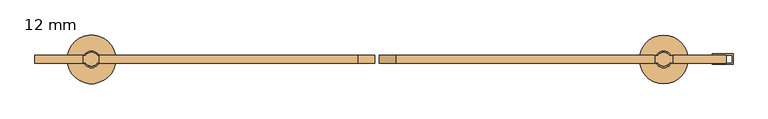
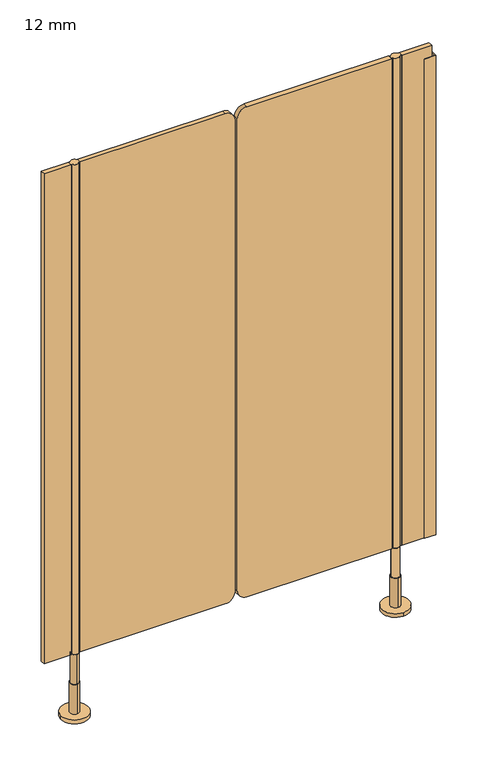
"""IFC4 building model written with IfcOpenShell, lengths in millimetres: door geometry, 12 mm."""

from ifc_helpers import new_model, si_unit, point, frame, frame_2d, origin, place, context, project, spatial, polyline, circle_curve, trimmed, segment, composite_curve, outline, extrude, source, transform, mapped, element, save
from ifc_brep_helpers import plane_surface, cylinder_surface, advanced_brep


def door_12_mm_7904f76f(model_context):
    return source(origin(), model_context, "Body", "SolidModel", [
        advanced_brep(
        [(419.5, -1296.0, 170.0), (399.5, -1296.0, 170.0), (399.5, -1296.0, 90.0), (419.5, -1296.0, 90.0), (409.5, -1284.0, 90.0), (409.5, -1308.0, 90.0), (409.5, -1284.0, 10.0), (409.5, -1308.0, 10.0), (409.5, -1261.0, 10.0), (409.5, -1331.0, 10.0), (409.5, -1261.0, 0.0), (409.5, -1331.0, 0.0)],
        [
            (0, 1, circle_curve(frame((409.5, -1296.0, 170.0), z_axis=(0.0, 0.0, 1.0), x_axis=(-1.0, 0.0, 0.0)), 10.0)),
            (1, 0, circle_curve(frame((409.5, -1296.0, 170.0), z_axis=(0.0, 0.0, 1.0), x_axis=(-1.0, 0.0, 0.0)), 10.0)),
            (1, 2),
            (2, 3, circle_curve(frame((409.5, -1296.0, 90.0), z_axis=(0.0, 0.0, 1.0), x_axis=(-1.0, 0.0, 0.0)), 10.0)),
            (3, 0),
            (3, 2, circle_curve(frame((409.5, -1296.0, 90.0), z_axis=(0.0, 0.0, 1.0), x_axis=(-1.0, 0.0, 0.0)), 10.0)),
            (4, 5, circle_curve(frame((409.5, -1296.0, 90.0), z_axis=(0.0, 0.0, 1.0), x_axis=(0.0, -1.0, 0.0)), 12.0)),
            (5, 4, circle_curve(frame((409.5, -1296.0, 90.0), z_axis=(0.0, 0.0, 1.0), x_axis=(0.0, -1.0, 0.0)), 12.0)),
            (4, 6),
            (6, 7, circle_curve(frame((409.5, -1296.0, 10.0), z_axis=(0.0, 0.0, 1.0), x_axis=(0.0, -1.0, 0.0)), 12.0)),
            (7, 5),
            (7, 6, circle_curve(frame((409.5, -1296.0, 10.0), z_axis=(0.0, 0.0, 1.0), x_axis=(0.0, -1.0, 0.0)), 12.0)),
            (8, 9, circle_curve(frame((409.5, -1296.0, 10.0), z_axis=(0.0, 0.0, 1.0), x_axis=(0.0, -1.0, 0.0)), 35.0)),
            (9, 8, circle_curve(frame((409.5, -1296.0, 10.0), z_axis=(0.0, 0.0, 1.0), x_axis=(0.0, -1.0, 0.0)), 35.0)),
            (10, 11, circle_curve(frame((409.5, -1296.0, 0.0), z_axis=(0.0, 0.0, -1.0), x_axis=(0.0, -1.0, 0.0)), 35.0)),
            (11, 10, circle_curve(frame((409.5, -1296.0, 0.0), z_axis=(0.0, 0.0, -1.0), x_axis=(0.0, -1.0, 0.0)), 35.0)),
            (8, 10),
            (11, 9),
        ],
        [
            plane_surface(frame((409.5, -1290.0, 170.0), z_axis=(0.0, 0.0, 1.0), x_axis=(0.0, -1.0, 0.0))),
            cylinder_surface(frame((409.5, -1296.0, 90.0), z_axis=(0.0, 0.0, -1.0), x_axis=(-1.0, 0.0, 0.0)), 10.0),
            plane_surface(frame((409.5, -1290.0, 90.0), z_axis=(0.0, 0.0, 1.0), x_axis=(0.0, -1.0, 0.0))),
            cylinder_surface(frame((409.5, -1296.0, 90.0), z_axis=(0.0, 0.0, 1.0), x_axis=(0.0, -1.0, 0.0)), 12.0),
            plane_surface(frame((409.5, -1290.0, 10.0), z_axis=(0.0, 0.0, 1.0), x_axis=(0.0, -1.0, 0.0))),
            plane_surface(frame((409.5, -1290.0, 0.0), z_axis=(0.0, 0.0, -1.0), x_axis=(0.0, -1.0, 0.0))),
            cylinder_surface(frame((409.5, -1296.0, 10.0), z_axis=(0.0, 0.0, 1.0), x_axis=(0.0, -1.0, 0.0)), 35.0),
        ],
        [
            (0, [[1, 2]]),
            (1, [[-2, 3, 4, 5]]),
            (1, [[-1, -5, 6, -3]]),
            (2, [[7, 8], [-4, -6]]),
            (3, [[-7, 9, 10, 11]]),
            (3, [[-8, -11, 12, -9]]),
            (4, [[13, 14], [-10, -12]]),
            (5, [[15, 16]]),
            (6, [[-13, 17, -16, 18]]),
            (6, [[-14, -18, -15, -17]]),
        ],
    ),
        advanced_brep(
        [(-415.0, -1306.0, 170.0), (-415.0, -1286.0, 170.0), (-415.0, -1286.0, 90.0), (-415.0, -1306.0, 90.0), (-415.0, -1284.0, 90.0), (-415.0, -1308.0, 90.0), (-415.0, -1284.0, 10.0), (-415.0, -1308.0, 10.0), (-380.0, -1296.0, 0.0), (-450.0, -1296.0, 0.0), (-380.0, -1296.0, 10.0), (-450.0, -1296.0, 10.0)],
        [
            (0, 1, circle_curve(frame((-415.0, -1296.0, 170.0), z_axis=(0.0, 0.0, -1.0), x_axis=(0.0, -1.0, 0.0)), 10.0)),
            (1, 2),
            (2, 3, circle_curve(frame((-415.0, -1296.0, 90.0), z_axis=(0.0, 0.0, 1.0), x_axis=(0.0, -1.0, 0.0)), 10.0)),
            (3, 0),
            (1, 0, circle_curve(frame((-415.0, -1296.0, 170.0), z_axis=(0.0, 0.0, -1.0), x_axis=(0.0, -1.0, 0.0)), 10.0)),
            (3, 2, circle_curve(frame((-415.0, -1296.0, 90.0), z_axis=(0.0, 0.0, 1.0), x_axis=(0.0, -1.0, 0.0)), 10.0)),
            (4, 5, circle_curve(frame((-415.0, -1296.0, 90.0), z_axis=(0.0, 0.0, 1.0), x_axis=(0.0, -1.0, 0.0)), 12.0)),
            (5, 4, circle_curve(frame((-415.0, -1296.0, 90.0), z_axis=(0.0, 0.0, 1.0), x_axis=(0.0, -1.0, 0.0)), 12.0)),
            (4, 6),
            (6, 7, circle_curve(frame((-415.0, -1296.0, 10.0), z_axis=(0.0, 0.0, 1.0), x_axis=(0.0, -1.0, 0.0)), 12.0)),
            (7, 5),
            (7, 6, circle_curve(frame((-415.0, -1296.0, 10.0), z_axis=(0.0, 0.0, 1.0), x_axis=(0.0, -1.0, 0.0)), 12.0)),
            (8, 9, circle_curve(frame((-415.0, -1296.0, 0.0), z_axis=(0.0, 0.0, -1.0), x_axis=(-1.0, 0.0, 0.0)), 35.0)),
            (9, 8, circle_curve(frame((-415.0, -1296.0, 0.0), z_axis=(0.0, 0.0, -1.0), x_axis=(-1.0, 0.0, 0.0)), 35.0)),
            (10, 11, circle_curve(frame((-415.0, -1296.0, 10.0), z_axis=(0.0, 0.0, 1.0), x_axis=(-1.0, 0.0, 0.0)), 35.0)),
            (11, 10, circle_curve(frame((-415.0, -1296.0, 10.0), z_axis=(0.0, 0.0, 1.0), x_axis=(-1.0, 0.0, 0.0)), 35.0)),
            (8, 10),
            (11, 9),
        ],
        [
            cylinder_surface(frame((-415.0, -1296.0, 170.0), z_axis=(0.0, 0.0, 1.0), x_axis=(0.0, -1.0, 0.0)), 10.0),
            plane_surface(frame((-415.0, -1290.0, 90.0), z_axis=(0.0, 0.0, 1.0), x_axis=(0.0, -1.0, 0.0))),
            cylinder_surface(frame((-415.0, -1296.0, 90.0), z_axis=(0.0, 0.0, 1.0), x_axis=(0.0, -1.0, 0.0)), 12.0),
            plane_surface(frame((-415.0, -1290.0, 0.0), z_axis=(0.0, 0.0, -1.0), x_axis=(0.0, -1.0, 0.0))),
            plane_surface(frame((-415.0, -1290.0, 10.0), z_axis=(0.0, 0.0, 1.0), x_axis=(0.0, -1.0, 0.0))),
            cylinder_surface(frame((-415.0, -1296.0, 0.0), z_axis=(0.0, 0.0, -1.0), x_axis=(-1.0, 0.0, 0.0)), 35.0),
            plane_surface(frame((-415.0, -1290.0, 170.0), z_axis=(0.0, 0.0, 1.0), x_axis=(0.0, -1.0, 0.0))),
        ],
        [
            (0, [[1, 2, 3, 4]]),
            (0, [[5, -4, 6, -2]]),
            (1, [[7, 8], [-3, -6]]),
            (2, [[-7, 9, 10, 11]]),
            (2, [[-8, -11, 12, -9]]),
            (3, [[13, 14]]),
            (4, [[15, 16], [-10, -12]]),
            (5, [[-13, 17, -16, 18]]),
            (5, [[-14, -18, -15, -17]]),
            (6, [[-1, -5]]),
        ],
    ),
        extrude(outline(composite_curve([segment(polyline([(170.0, 396.5), (1500.0, 396.5), (1500.0, 24.5002203)]), True, "CONTINUOUS"), segment(trimmed(circle_curve(frame_2d((1475.0, 24.5002203)), 25.0), [point((1500.0, 24.5002203))], [point((1475.0, -0.4997797))], False, "CARTESIAN"), True, "CONTINUOUS"), segment(polyline([(1475.0, -0.4997797), (195.0, -0.4997797)]), True, "CONTINUOUS"), segment(trimmed(circle_curve(frame_2d((195.0, 24.5002203)), 25.0), [point((195.0, -0.4997797))], [point((170.0, 24.5002203))], False, "CARTESIAN"), True, "CONTINUOUS"), segment(polyline([(170.0, 24.5002203), (170.0, 396.5)]), True, "CONTINUOUS")], self_intersect=False)), frame((0.0, -1302.0, 0.0), z_axis=(0.0, 1.0, 0.0), x_axis=(0.0, 0.0, 1.0)), (0.0, 0.0, 1.0), 12.0),
        extrude(outline(composite_curve([segment(polyline([(1500.0, -403.5), (170.0, -403.5), (170.0, -31.5002203)]), True, "CONTINUOUS"), segment(trimmed(circle_curve(frame_2d((195.0, -31.5002203)), 25.0), [point((170.0, -31.5002203))], [point((195.0, -6.5002203))], False, "CARTESIAN"), True, "CONTINUOUS"), segment(polyline([(195.0, -6.5002203), (1475.0, -6.5002203)]), True, "CONTINUOUS"), segment(trimmed(circle_curve(frame_2d((1475.0, -31.5002203)), 25.0), [point((1475.0, -6.5002203))], [point((1500.0, -31.5002203))], False, "CARTESIAN"), True, "CONTINUOUS"), segment(polyline([(1500.0, -31.5002203), (1500.0, -403.5)]), True, "CONTINUOUS")], self_intersect=False)), frame((0.0, -1302.0, 0.0), z_axis=(0.0, 1.0, 0.0), x_axis=(0.0, 0.0, 1.0)), (0.0, 0.0, 1.0), 12.0),
        extrude(outline(composite_curve([segment(trimmed(circle_curve(frame_2d((-415.0, -1296.0)), 10.0), [point((-423.0, -1290.0))], [point((-407.0, -1290.0))], False, "CARTESIAN"), True, "CONTINUOUS"), segment(trimmed(circle_curve(frame_2d((-415.0, -1296.0)), 10.0), [point((-407.0, -1290.0))], [point((-406.3391323, -1291.0010631))], False, "CARTESIAN"), True, "CONTINUOUS"), segment(polyline([(-406.3391323, -1291.0010631), (-403.5, -1291.0010631), (-403.5, -1300.9989369), (-406.3391323, -1300.9989369)]), True, "CONTINUOUS"), segment(trimmed(circle_curve(frame_2d((-415.0, -1296.0)), 10.0), [point((-406.3391323, -1300.9989369))], [point((-423.6608677, -1300.9989369))], False, "CARTESIAN"), True, "CONTINUOUS"), segment(polyline([(-423.6608677, -1300.9989369), (-426.5, -1300.9989369), (-426.5, -1291.0010631), (-423.6608677, -1291.0010631)]), True, "CONTINUOUS"), segment(trimmed(circle_curve(frame_2d((-415.0, -1296.0)), 10.0), [point((-423.6608677, -1291.0010631))], [point((-423.0, -1290.0))], False, "CARTESIAN"), True, "CONTINUOUS")], self_intersect=False)), frame((0.0, 0.0, 170.0), z_axis=(0.0, 0.0, 1.0), x_axis=(1.0, 0.0, 0.0)), (0.0, 0.0, 1.0), 1330.0),
        extrude(outline(composite_curve([segment(trimmed(circle_curve(frame_2d((409.5, -1296.0)), 10.0), [point((418.1608677, -1300.9989369))], [point((400.8391323, -1300.9989369))], False, "CARTESIAN"), True, "CONTINUOUS"), segment(polyline([(400.8391323, -1300.9989369), (396.5, -1300.9989369), (396.5, -1291.0010631), (400.8391323, -1291.0010631)]), True, "CONTINUOUS"), segment(trimmed(circle_curve(frame_2d((409.5, -1296.0)), 10.0), [point((400.8391323, -1291.0010631))], [point((418.1608677, -1291.0010631))], False, "CARTESIAN"), True, "CONTINUOUS"), segment(polyline([(418.1608677, -1291.0010631), (422.5, -1291.0010631), (422.5, -1300.9989369), (418.1608677, -1300.9989369)]), True, "CONTINUOUS")], self_intersect=False)), frame((0.0, 0.0, 170.0), z_axis=(0.0, 0.0, 1.0), x_axis=(1.0, 0.0, 0.0)), (0.0, 0.0, 1.0), 1330.0),
        extrude(outline(polyline([(509.5, -1303.5), (479.5, -1303.5), (479.5, -1302.0), (508.0, -1302.0), (508.0, -1290.0), (479.5, -1290.0), (479.5, -1288.5), (509.5, -1288.5), (509.5, -1303.5)])), frame((0.0, 0.0, 170.0), z_axis=(0.0, 0.0, 1.0), x_axis=(1.0, 0.0, 0.0)), (0.0, 0.0, 1.0), 1300.0),
        extrude(outline(polyline([(422.5, -1290.0), (499.5, -1290.0), (499.5, -1302.0), (422.5, -1302.0), (422.5, -1290.0)])), frame((0.0, 0.0, 170.0), z_axis=(0.0, 0.0, 1.0), x_axis=(1.0, 0.0, 0.0)), (0.0, 0.0, 1.0), 1330.0),
        extrude(outline(polyline([(-426.5, -1290.0), (-426.5, -1302.0), (-496.5, -1302.0), (-496.5, -1290.0), (-426.5, -1290.0)])), frame((0.0, 0.0, 170.0), z_axis=(0.0, 0.0, 1.0), x_axis=(1.0, 0.0, 0.0)), (0.0, 0.0, 1.0), 1330.0),
    ])


if __name__ == "__main__":
    model = new_model("IFC4")
    model_context = context("Model", 3, world=origin())
    ifc_project = project(units=[si_unit("LENGTHUNIT", "METRE", prefix="MILLI")], contexts=[model_context])
    site = spatial("IfcSite", under=ifc_project)
    building = spatial("IfcBuilding", under=site)
    placement = place(None, origin())
    door_12_mm_shape = door_12_mm_7904f76f(model_context)
    element("IfcDoor", 1, ObjectType="12 mm", at=placement, inside=building, context=model_context, shape_type="MappedRepresentation", body=[
        mapped(door_12_mm_shape, transform((0.0, 0.0, 0.0), x_axis=(1.0, 0.0, 0.0), y_axis=(0.0, 1.0, 0.0), z_axis=(0.0, 0.0, 1.0))),
    ])
    save(model, "model.ifc")
